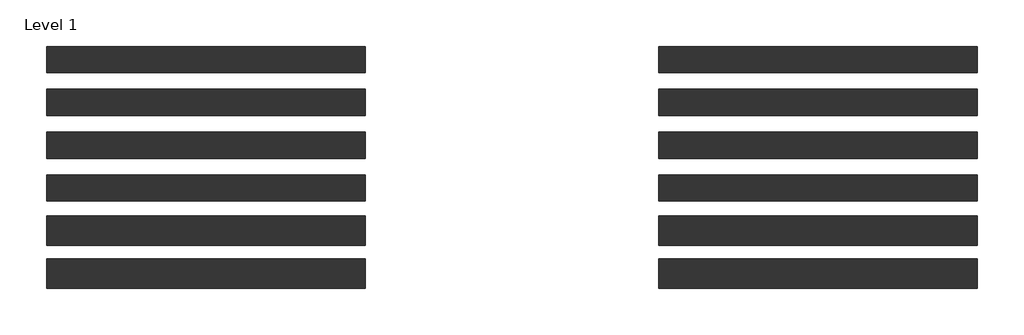
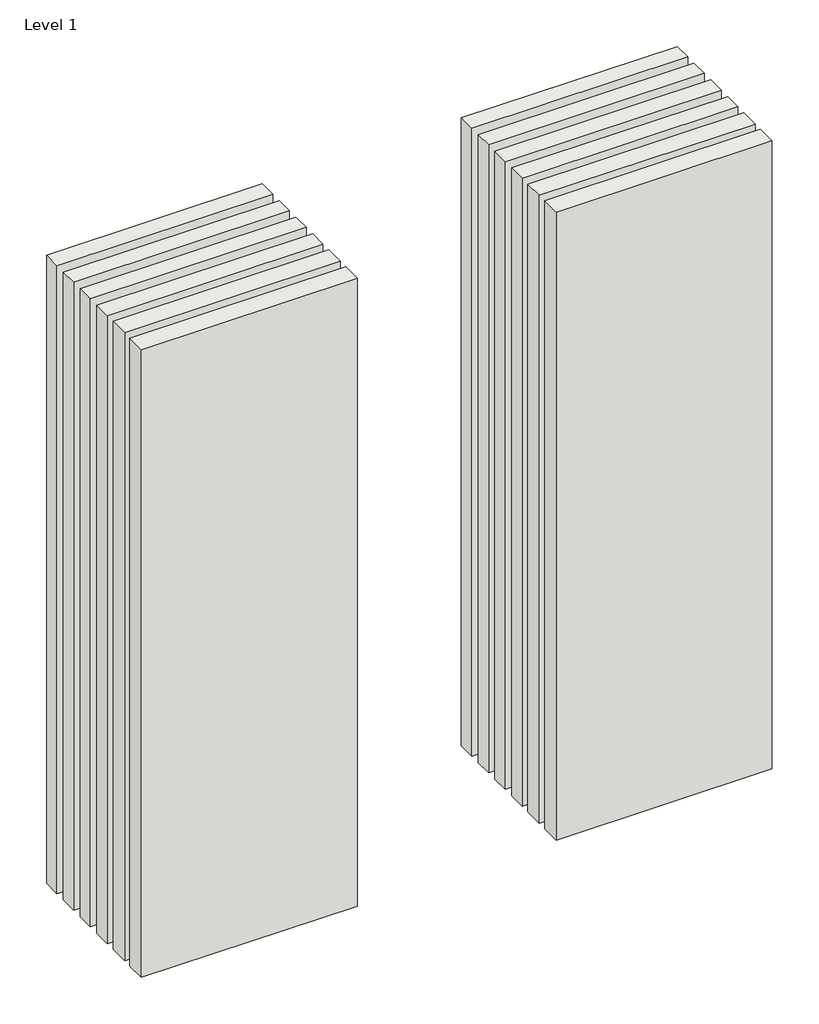
# One storey: 12 walls.
"""IFC4 building model written with IfcOpenShell, lengths in millimetres."""

from ifc_helpers import new_model, si_unit, origin, origin_with_axes, place, context, project, spatial, polyline, outline, extrude, element, save

model = new_model("IFC4")

# Units and contexts
model_context = context("Model", 3, world=origin())
ifc_project = project(units=[si_unit("LENGTHUNIT", "METRE", prefix="MILLI")], contexts=[model_context])

# Site, building, storey
site = spatial("IfcSite", under=ifc_project)
building = spatial("IfcBuilding", under=site)
storey = spatial("IfcBuildingStorey", under=building, Name="Level 1", Elevation=0.0)

# Walls
placement = place(None, origin())
element("IfcWall", 1, at=placement, inside=storey, context=model_context, shape_type="SweptSolid", body=[
    extrude(outline(polyline([(-16904.1464237, 3630.0198817), (-19504.1464237, 3630.0198817), (-19504.1464237, 3845.0198817), (-16904.1464237, 3845.0198817), (-16904.1464237, 3630.0198817)])), origin_with_axes(), (0.0, 0.0, 1.0), 8000.0),
])
element("IfcWall", 2, at=placement, inside=storey, context=model_context, shape_type="SweptSolid", body=[
    extrude(outline(polyline([(-16904.1464237, 3280.0198817), (-19504.1464237, 3280.0198817), (-19504.1464237, 3495.0198817), (-16904.1464237, 3495.0198817), (-16904.1464237, 3280.0198817)])), origin_with_axes(), (0.0, 0.0, 1.0), 8000.0),
])
element("IfcWall", 3, at=placement, inside=storey, context=model_context, shape_type="SweptSolid", body=[
    extrude(outline(polyline([(-16904.1464237, 2930.0198817), (-19504.1464237, 2930.0198817), (-19504.1464237, 3145.0198817), (-16904.1464237, 3145.0198817), (-16904.1464237, 2930.0198817)])), origin_with_axes(), (0.0, 0.0, 1.0), 8000.0),
])
element("IfcWall", 4, at=placement, inside=storey, context=model_context, shape_type="SweptSolid", body=[
    extrude(outline(polyline([(-16904.1464237, 2580.0198817), (-19504.1464237, 2580.0198817), (-19504.1464237, 2795.0198817), (-16904.1464237, 2795.0198817), (-16904.1464237, 2580.0198817)])), origin_with_axes(), (0.0, 0.0, 1.0), 8000.0),
])
element("IfcWall", 5, at=placement, inside=storey, context=model_context, shape_type="SweptSolid", body=[
    extrude(outline(polyline([(-16904.1464237, 2217.5198817), (-19504.1464237, 2217.5198817), (-19504.1464237, 2457.5198817), (-16904.1464237, 2457.5198817), (-16904.1464237, 2217.5198817)])), origin_with_axes(), (0.0, 0.0, 1.0), 8000.0),
])
element("IfcWall", 6, at=placement, inside=storey, context=model_context, shape_type="SweptSolid", body=[
    extrude(outline(polyline([(-16904.1464237, 1867.5198817), (-19504.1464237, 1867.5198817), (-19504.1464237, 2107.5198817), (-16904.1464237, 2107.5198817), (-16904.1464237, 1867.5198817)])), origin_with_axes(), (0.0, 0.0, 1.0), 8000.0),
])
element("IfcWall", 7, at=placement, inside=storey, context=model_context, shape_type="SweptSolid", body=[
    extrude(outline(polyline([(-11904.1464237, 3630.0198817), (-14504.1464237, 3630.0198817), (-14504.1464237, 3845.0198817), (-11904.1464237, 3845.0198817), (-11904.1464237, 3630.0198817)])), origin_with_axes(), (0.0, 0.0, 1.0), 8000.0),
])
element("IfcWall", 8, at=placement, inside=storey, context=model_context, shape_type="SweptSolid", body=[
    extrude(outline(polyline([(-11904.1464237, 3280.0198817), (-14504.1464237, 3280.0198817), (-14504.1464237, 3495.0198817), (-11904.1464237, 3495.0198817), (-11904.1464237, 3280.0198817)])), origin_with_axes(), (0.0, 0.0, 1.0), 8000.0),
])
element("IfcWall", 9, at=placement, inside=storey, context=model_context, shape_type="SweptSolid", body=[
    extrude(outline(polyline([(-11904.1464237, 2930.0198817), (-14504.1464237, 2930.0198817), (-14504.1464237, 3145.0198817), (-11904.1464237, 3145.0198817), (-11904.1464237, 2930.0198817)])), origin_with_axes(), (0.0, 0.0, 1.0), 8000.0),
])
element("IfcWall", 10, at=placement, inside=storey, context=model_context, shape_type="SweptSolid", body=[
    extrude(outline(polyline([(-11904.1464237, 2580.0198817), (-14504.1464237, 2580.0198817), (-14504.1464237, 2795.0198817), (-11904.1464237, 2795.0198817), (-11904.1464237, 2580.0198817)])), origin_with_axes(), (0.0, 0.0, 1.0), 8000.0),
])
element("IfcWall", 11, at=placement, inside=storey, context=model_context, shape_type="SweptSolid", body=[
    extrude(outline(polyline([(-11904.1464237, 2217.5198817), (-14504.1464237, 2217.5198817), (-14504.1464237, 2457.5198817), (-11904.1464237, 2457.5198817), (-11904.1464237, 2217.5198817)])), origin_with_axes(), (0.0, 0.0, 1.0), 8000.0),
])
element("IfcWall", 12, at=placement, inside=storey, context=model_context, shape_type="SweptSolid", body=[
    extrude(outline(polyline([(-11904.1464237, 1867.5198817), (-14504.1464237, 1867.5198817), (-14504.1464237, 2107.5198817), (-11904.1464237, 2107.5198817), (-11904.1464237, 1867.5198817)])), origin_with_axes(), (0.0, 0.0, 1.0), 8000.0),
])

save(model, "model.ifc")
